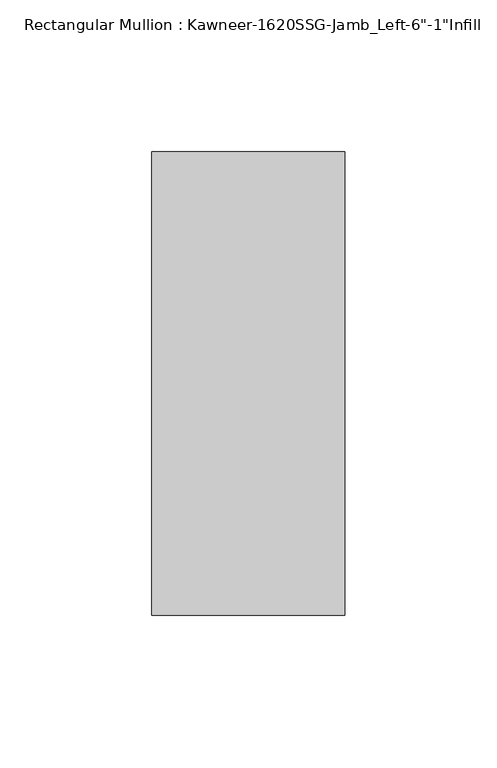
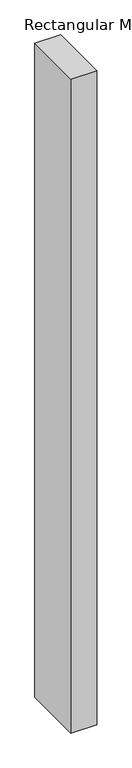
"""IFC4 building model written with IfcOpenShell, lengths in millimetres: member geometry."""

from ifc_helpers import new_model, si_unit, frame, origin, place, context, project, spatial, polyline, outline, extrude, source, transform, mapped, element, save


def member_d0961bf4(model_context):
    return source(origin(), model_context, "Body", "SweptSolid", [
        extrude(outline(polyline([(22.225, 38.1), (22.225, -114.3), (-41.275, -114.3), (-41.275, 38.1), (22.225, 38.1)])), frame((0.0, 0.0, -1695.45), z_axis=(0.0, 0.0, 1.0), x_axis=(1.0, 0.0, 0.0)), (0.0, 0.0, 1.0), 1695.45),
    ])


if __name__ == "__main__":
    model = new_model("IFC4")
    model_context = context("Model", 3, world=origin())
    ifc_project = project(units=[si_unit("LENGTHUNIT", "METRE", prefix="MILLI")], contexts=[model_context])
    site = spatial("IfcSite", under=ifc_project)
    building = spatial("IfcBuilding", under=site)
    placement = place(None, origin())
    member_shape = member_d0961bf4(model_context)
    element("IfcMember", 1, ObjectType="Rectangular Mullion : Kawneer-1620SSG-Jamb_Left-6\"-1\"Infill", at=placement, inside=building, context=model_context, shape_type="MappedRepresentation", body=[
        mapped(member_shape, transform((0.0, 0.0, 0.0), x_axis=(1.0, 0.0, 0.0), y_axis=(0.0, 1.0, 0.0), z_axis=(0.0, 0.0, 1.0))),
    ])
    save(model, "model.ifc")
